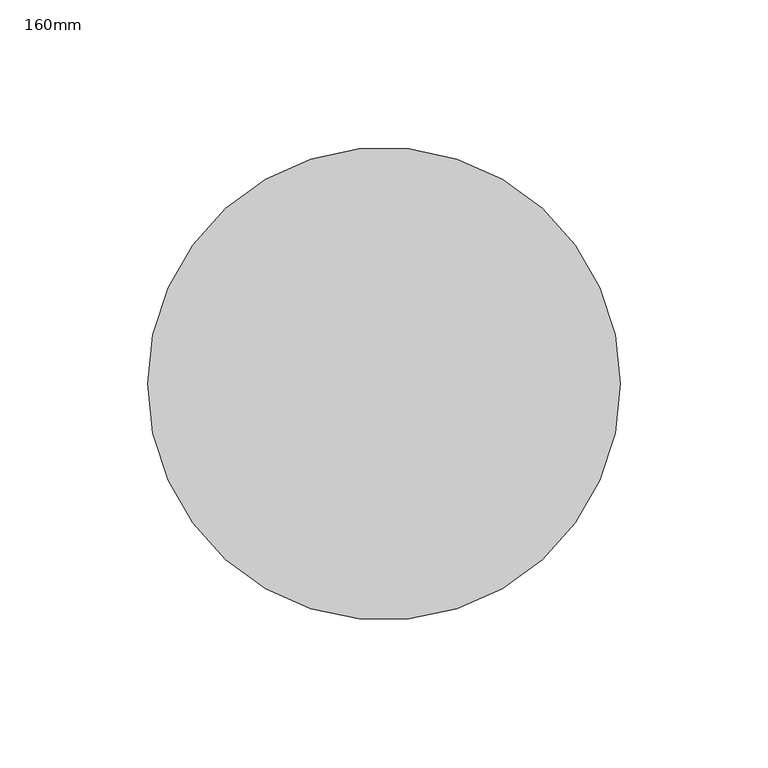
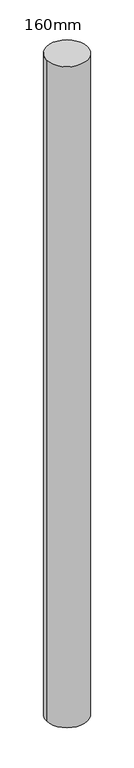
"""IFC4 building model written with IfcOpenShell, lengths in millimetres: column geometry, 160mm."""

import ifcopenshell
import ifcopenshell.guid

model = None  # the IFC model being written
_history = None  # IfcOwnerHistory: only IFC2X3 demands one
_inside = {}  # id of a spatial element -> (the spatial element, [elements in it])
_under = {}  # id of a project, library or spatial element -> (it, [spatial elements below it])
_declared = {}  # id of a project -> (the project, [libraries it declares])
_typed = {}  # id of a type object -> (the type object, [elements of that type])
_made_of = {}  # id of a material, layer set ... -> (it, [elements and type objects made of it])


def new_model(schema):
    """Start an empty IFC model of exactly this schema.

    Asked for "IFC4X3", IfcOpenShell would pick the latest addendum, in which some entities
    have other attributes; the version numbers below select the first issue.
    IFC2X3 requires an IfcOwnerHistory on every rooted entity: one is made here for all.
    """
    global model, _history
    if schema == "IFC4X3":
        model = ifcopenshell.file(schema_version=(4, 3, 0, 0))
    else:
        model = ifcopenshell.file(schema=schema)
    _inside.clear()
    _under.clear()
    _declared.clear()
    _typed.clear()
    _made_of.clear()
    _history = None
    if model.schema == "IFC2X3":
        org = make("IfcOrganization", Name="unknown")
        user = make(
            "IfcPersonAndOrganization",
            ThePerson=make("IfcPerson", FamilyName="unknown"),
            TheOrganization=org,
        )
        app = make(
            "IfcApplication",
            ApplicationDeveloper=org,
            Version="unknown",
            ApplicationFullName="unknown",
            ApplicationIdentifier="unknown",
        )
        _history = make(
            "IfcOwnerHistory",
            OwningUser=user,
            OwningApplication=app,
            ChangeAction="ADDED",
            CreationDate=0,
        )
    return model


def make(cls, **values):
    """One entity of the class cls with the attributes given. An attribute that is None is left unset."""
    return model.create_entity(
        cls, **{name: value for name, value in values.items() if value is not None}
    )


def rooted(cls, **values):
    """An entity with a GlobalId (a new one), such as an element, a storey or a relation."""
    return make(cls, GlobalId=ifcopenshell.guid.new(), OwnerHistory=_history, **values)


def si_unit(unit_type, name, prefix=None):
    """IfcSIUnit, for example si_unit("LENGTHUNIT", "METRE", prefix="MILLI")."""
    return make("IfcSIUnit", UnitType=unit_type, Prefix=prefix, Name=name)


def assignment(units):
    """IfcUnitAssignment: the units of a project."""
    return None if units is None else make("IfcUnitAssignment", Units=units)


def point(xyz):
    """IfcCartesianPoint."""
    return None if xyz is None else make("IfcCartesianPoint", Coordinates=xyz)


def direction(xyz):
    """IfcDirection."""
    return None if xyz is None else make("IfcDirection", DirectionRatios=xyz)


def frame(location, z_axis=None, x_axis=None):
    """IfcAxis2Placement3D, a coordinate frame: its origin and axes. An axis left out is left unset."""
    return make(
        "IfcAxis2Placement3D",
        Location=point(location),
        Axis=direction(z_axis),
        RefDirection=direction(x_axis),
    )


def frame_2d(location, x_axis=None):
    """IfcAxis2Placement2D, a coordinate frame in the plane: its origin and x axis."""
    return make(
        "IfcAxis2Placement2D", Location=point(location), RefDirection=direction(x_axis)
    )


def origin():
    """The frame at (0, 0, 0) with its axes left unset."""
    return frame((0.0, 0.0, 0.0))


def origin_2d():
    """The frame at (0, 0) in the plane with its x axis left unset."""
    return frame_2d((0.0, 0.0))


def place(relative_to, where):
    """IfcLocalPlacement: puts the frame where relative to a parent placement (None: the world)."""
    return make(
        "IfcLocalPlacement", PlacementRelTo=relative_to, RelativePlacement=where
    )


def context(
    kind, dimensions, precision=None, world=None, true_north=None, identifier=None
):
    """IfcGeometricRepresentationContext, for example the 3D "Model" context."""
    return make(
        "IfcGeometricRepresentationContext",
        ContextIdentifier=identifier,
        ContextType=kind,
        CoordinateSpaceDimension=dimensions,
        Precision=precision,
        WorldCoordinateSystem=world,
        TrueNorth=true_north,
    )


def project(units=None, contexts=None):
    """IfcProject with its units and contexts."""
    return rooted(
        "IfcProject",
        Name="project",
        RepresentationContexts=contexts,
        UnitsInContext=assignment(units),
    )


def spatial(cls, under=None, at=None, **own):
    """A site, building, storey or space (cls), placed at a placement, below another one or the project."""
    s = rooted(cls, ObjectPlacement=at, **own)
    if under is not None:
        _under.setdefault(under.id(), (under, []))[1].append(s)
    return s


def circle_curve(where, radius):
    """IfcCircle in the frame where."""
    return make("IfcCircle", Position=where, Radius=radius)


def trimmed(basis, trim1, trim2, sense, master):
    """IfcTrimmedCurve: the piece of a basis curve between two trims."""
    return make(
        "IfcTrimmedCurve",
        BasisCurve=basis,
        Trim1=trim1,
        Trim2=trim2,
        SenseAgreement=sense,
        MasterRepresentation=master,
    )


def segment(curve, same_sense, transition):
    """IfcCompositeCurveSegment."""
    return make(
        "IfcCompositeCurveSegment",
        Transition=transition,
        SameSense=same_sense,
        ParentCurve=curve,
    )


def composite_curve(segments, self_intersect=None):
    """IfcCompositeCurve: segments joined end to end."""
    return make("IfcCompositeCurve", Segments=segments, SelfIntersect=self_intersect)


def outline(outer, holes=None, kind="AREA"):
    """IfcArbitraryClosedProfileDef: a profile drawn as a closed curve; with holes, ...WithVoids."""
    if holes is None:
        return make("IfcArbitraryClosedProfileDef", ProfileType=kind, OuterCurve=outer)
    return make(
        "IfcArbitraryProfileDefWithVoids",
        ProfileType=kind,
        OuterCurve=outer,
        InnerCurves=holes,
    )


def extrude(swept, where, along, depth):
    """IfcExtrudedAreaSolid: the profile swept, set in the frame where, extruded along a direction by depth."""
    return make(
        "IfcExtrudedAreaSolid",
        SweptArea=swept,
        Position=where,
        ExtrudedDirection=direction(along),
        Depth=depth,
    )


def shape(context_of_items, identifier, shape_type, items):
    """IfcShapeRepresentation: the items that make up one representation, for example the "Body"."""
    return make(
        "IfcShapeRepresentation",
        ContextOfItems=context_of_items,
        RepresentationIdentifier=identifier,
        RepresentationType=shape_type,
        Items=items,
    )


def source(mapping_origin, context_of_items, identifier, shape_type, items):
    """IfcRepresentationMap: a shape defined once, which mapped items show again and again."""
    return make(
        "IfcRepresentationMap",
        MappingOrigin=mapping_origin,
        MappedRepresentation=shape(context_of_items, identifier, shape_type, items),
    )


def transform(
    local_origin,
    x_axis=None,
    y_axis=None,
    z_axis=None,
    scale=None,
    scale2=None,
    scale3=None,
    uniform=True,
):
    """IfcCartesianTransformationOperator3D, or its non-uniform kind. x_axis, y_axis, z_axis: its Axis1, 2, 3."""
    if uniform:
        return make(
            "IfcCartesianTransformationOperator3D",
            Axis1=direction(x_axis),
            Axis2=direction(y_axis),
            LocalOrigin=point(local_origin),
            Scale=scale,
            Axis3=direction(z_axis),
        )
    return make(
        "IfcCartesianTransformationOperator3DnonUniform",
        Axis1=direction(x_axis),
        Axis2=direction(y_axis),
        LocalOrigin=point(local_origin),
        Scale=scale,
        Axis3=direction(z_axis),
        Scale2=scale2,
        Scale3=scale3,
    )


def mapped(mapping_source, mapping_target):
    """IfcMappedItem: shows the shape of a source again, moved by a transform."""
    return make(
        "IfcMappedItem", MappingSource=mapping_source, MappingTarget=mapping_target
    )


def made_of(thing, what):
    """Note that an element or type object is made of a material, layer set ...; save() writes the relation."""
    if what is not None:
        _made_of.setdefault(what.id(), (what, []))[1].append(thing)
    return thing


def element(
    cls,
    number,
    at=None,
    inside=None,
    cuts=None,
    type_object=None,
    material=None,
    context=None,
    identifier="Body",
    shape_type=None,
    held_by="IfcProductDefinitionShape",
    body=None,
    shapes=None,
    **own,
):
    """One element of the class cls, such as IfcWall. Its Tag is "e" and its number.

    at: its placement. inside: the storey or other place that contains it. cuts: it is an
    opening in that element (IfcRelVoidsElement). A single representation is given by context,
    identifier, shape_type and body (its items); several are given by shapes. held_by: the class
    of the entity that holds the representations. save() writes the other relations.
    """
    e = rooted(cls, Tag="e%d" % number, ObjectPlacement=at, **own)
    if body is not None:
        shapes = [shape(context, identifier, shape_type, body)]
    if shapes is not None:
        e.Representation = make(held_by, Representations=shapes)
    if inside is not None:
        _inside.setdefault(inside.id(), (inside, []))[1].append(e)
    if cuts is not None:
        rooted(
            "IfcRelVoidsElement", RelatingBuildingElement=cuts, RelatedOpeningElement=e
        )
    if type_object is not None:
        _typed.setdefault(type_object.id(), (type_object, []))[1].append(e)
    return made_of(e, material)


def aggregate(whole, parts):
    """IfcRelAggregates: a whole, such as a stair, and the parts it consists of."""
    return rooted("IfcRelAggregates", RelatingObject=whole, RelatedObjects=parts)


def save(model, path):
    """Write the relations noted so far, then the file.

    IfcRelAggregates (storeys below a building ...), IfcRelContainedInSpatialStructure (elements
    in a storey), IfcRelDefinesByType, IfcRelAssociatesMaterial and IfcRelDeclares: one each for
    every whole, place, type object, material and project.
    """
    for whole, parts in _under.values():
        aggregate(whole, parts)
    for where, things in _inside.values():
        rooted(
            "IfcRelContainedInSpatialStructure",
            RelatedElements=things,
            RelatingStructure=where,
        )
    for kind, things in _typed.values():
        rooted("IfcRelDefinesByType", RelatedObjects=things, RelatingType=kind)
    for what, things in _made_of.values():
        rooted("IfcRelAssociatesMaterial", RelatedObjects=things, RelatingMaterial=what)
    for by, libraries in _declared.values():
        rooted("IfcRelDeclares", RelatingContext=by, RelatedDefinitions=libraries)
    model.write(path)


def column_160mm_9b0f8fb9(model_context):
    return source(origin(), model_context, "Body", "SweptSolid", [
        extrude(outline(composite_curve([segment(trimmed(circle_curve(origin_2d(), 80.0), [point((-80.0, 0.0))], [point((80.0, 0.0))], False, "CARTESIAN"), True, "CONTINUOUS"), segment(trimmed(circle_curve(origin_2d(), 80.0), [point((80.0, 0.0))], [point((-80.0, 0.0))], False, "CARTESIAN"), True, "CONTINUOUS")], self_intersect=False)), frame((0.0, 0.0, 8880.0), z_axis=(0.0, 0.0, 1.0), x_axis=(1.0, 0.0, 0.0)), (0.0, 0.0, 1.0), 2740.0),
    ])


if __name__ == "__main__":
    model = new_model("IFC4")
    model_context = context("Model", 3, world=origin())
    ifc_project = project(units=[si_unit("LENGTHUNIT", "METRE", prefix="MILLI")], contexts=[model_context])
    site = spatial("IfcSite", under=ifc_project)
    building = spatial("IfcBuilding", under=site)
    placement = place(None, origin())
    column_160mm_shape = column_160mm_9b0f8fb9(model_context)
    element("IfcColumn", 1, ObjectType="160mm", at=placement, inside=building, context=model_context, shape_type="MappedRepresentation", body=[
        mapped(column_160mm_shape, transform((0.0, 0.0, 0.0), x_axis=(1.0, 0.0, 0.0), y_axis=(0.0, 1.0, 0.0), z_axis=(0.0, 0.0, 1.0))),
    ])
    save(model, "model.ifc")
